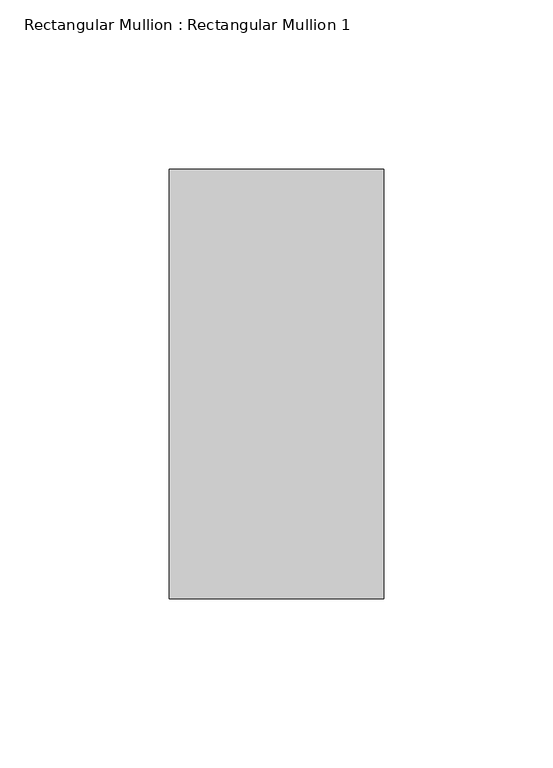
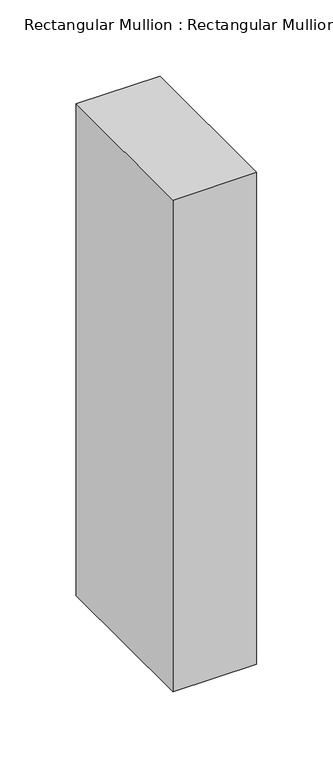
"""IFC4 building model written with IfcOpenShell, lengths in millimetres: member geometry, Rectangular Mullion : Rectangular Mullion 1."""

from ifc_helpers import new_model, si_unit, frame, origin, place, context, project, spatial, polyline, outline, extrude, source, transform, mapped, element, save


def rectangular_mullion_rectangular_mullion_1_951753a7(model_context):
    return source(origin(), model_context, "Body", "SweptSolid", [
        extrude(outline(polyline([(31.75, 63.5), (31.75, -63.5), (-31.75, -63.5), (-31.75, 63.5), (31.75, 63.5)])), frame((0.0, 0.0, -393.7), z_axis=(0.0, 0.0, 1.0), x_axis=(1.0, 0.0, 0.0)), (0.0, 0.0, 1.0), 393.7),
    ])


if __name__ == "__main__":
    model = new_model("IFC4")
    model_context = context("Model", 3, world=origin())
    ifc_project = project(units=[si_unit("LENGTHUNIT", "METRE", prefix="MILLI")], contexts=[model_context])
    site = spatial("IfcSite", under=ifc_project)
    building = spatial("IfcBuilding", under=site)
    placement = place(None, origin())
    rectangular_mullion_rectangular_mullion_1_shape = rectangular_mullion_rectangular_mullion_1_951753a7(model_context)
    element("IfcMember", 1, ObjectType="Rectangular Mullion : Rectangular Mullion 1", at=placement, inside=building, context=model_context, shape_type="MappedRepresentation", body=[
        mapped(rectangular_mullion_rectangular_mullion_1_shape, transform((0.0, 0.0, 0.0), x_axis=(1.0, 0.0, 0.0), y_axis=(0.0, 1.0, 0.0), z_axis=(0.0, 0.0, 1.0))),
    ])
    save(model, "model.ifc")
